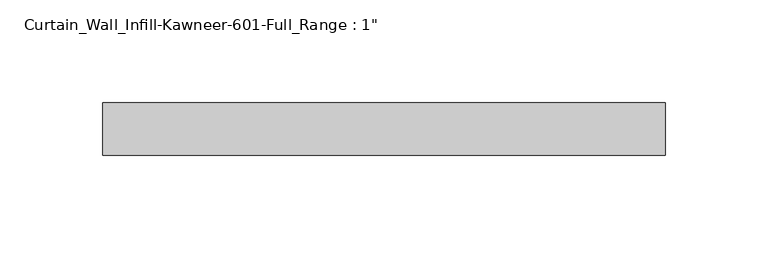
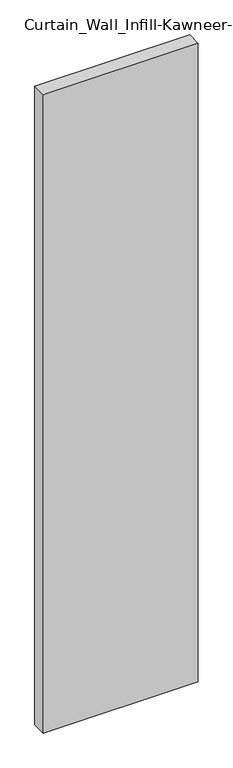
"""IFC4 building model written with IfcOpenShell, lengths in millimetres: plate geometry."""

from ifc_helpers import new_model, si_unit, origin, origin_with_axes, place, context, project, spatial, polyline, outline, extrude, source, transform, mapped, element, save


def plate_5ee8f952(model_context):
    return source(origin(), model_context, "Body", "SweptSolid", [
        extrude(outline(polyline([(-136.525, 12.7), (136.525, 12.7), (136.525, -12.7), (-136.525, -12.7), (-136.525, 12.7)])), origin_with_axes(), (0.0, 0.0, 1.0), 1187.45),
    ])


if __name__ == "__main__":
    model = new_model("IFC4")
    model_context = context("Model", 3, world=origin())
    ifc_project = project(units=[si_unit("LENGTHUNIT", "METRE", prefix="MILLI")], contexts=[model_context])
    site = spatial("IfcSite", under=ifc_project)
    building = spatial("IfcBuilding", under=site)
    placement = place(None, origin())
    plate_shape = plate_5ee8f952(model_context)
    element("IfcPlate", 1, ObjectType="Curtain_Wall_Infill-Kawneer-601-Full_Range : 1\"", at=placement, inside=building, context=model_context, shape_type="MappedRepresentation", body=[
        mapped(plate_shape, transform((0.0, 0.0, 0.0), x_axis=(1.0, 0.0, 0.0), y_axis=(0.0, 1.0, 0.0), z_axis=(0.0, 0.0, 1.0))),
    ])
    save(model, "model.ifc")
